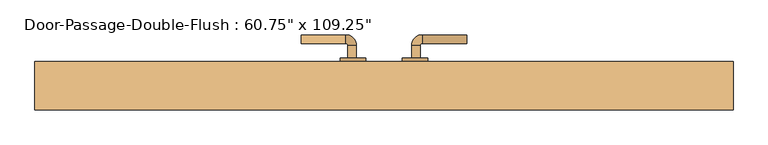
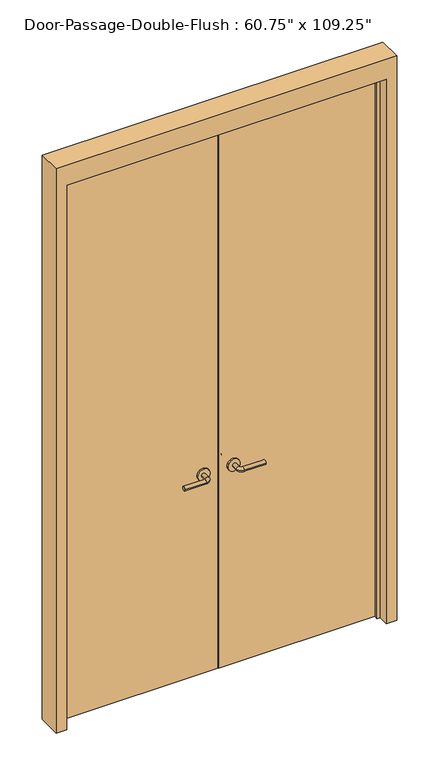
"""IFC4 building model written with IfcOpenShell, lengths in millimetres: door geometry."""

from ifc_helpers import new_model, si_unit, point, frame, frame_2d, origin, origin_with_axes, place, context, project, spatial, polyline, circle_curve, ellipse_curve, trimmed, segment, composite_curve, outline, extrude, faceted_brep, source, transform, mapped, element, save
from ifc_brep_helpers import plane_surface, cylinder_surface, revolved_surface, advanced_brep


def door_3e096846(model_context):
    return source(origin(), model_context, "Body", "SolidModel", [
        advanced_brep(
        [(-65.009375, -1.65, 1016.0), (-85.009375, -1.65, 1016.0), (-65.009375, -31.65, 1016.0), (-85.009375, -31.65, 1016.0), (-90.009375, -36.65, 1016.0), (-90.009375, -56.65, 1016.0), (-195.009375, -56.65, 1016.0), (-195.009375, -36.65, 1016.0)],
        [
            (0, 1, circle_curve(frame((-75.009375, -1.65, 1016.0), z_axis=(0.0, 1.0, 0.0), x_axis=(-1.0, 0.0, 0.0)), 10.0)),
            (1, 0, circle_curve(frame((-75.009375, -1.65, 1016.0), z_axis=(0.0, 1.0, 0.0), x_axis=(-1.0, 0.0, 0.0)), 10.0)),
            (0, 2),
            (2, 3, circle_curve(frame((-75.009375, -31.65, 1016.0), z_axis=(0.0, 1.0, 0.0), x_axis=(-1.0, 0.0, 0.0)), 10.0)),
            (3, 1),
            (3, 2, circle_curve(frame((-75.009375, -31.65, 1016.0), z_axis=(0.0, 1.0, 0.0), x_axis=(-1.0, 0.0, 0.0)), 10.0)),
            (4, 3, circle_curve(frame((-90.009375, -31.65, 1016.0), z_axis=(0.0, 0.0, 1.0), x_axis=(1.0, 0.0, 0.0)), 5.0)),
            (2, 5, circle_curve(frame((-90.009375, -31.65, 1016.0), z_axis=(0.0, 0.0, -1.0), x_axis=(1.0, 0.0, 0.0)), 25.0)),
            (5, 4, circle_curve(frame((-90.009375, -46.65, 1016.0), z_axis=(1.0, 0.0, 0.0), x_axis=(0.0, 1.0, 0.0)), 10.0)),
            (4, 5, circle_curve(frame((-90.009375, -46.65, 1016.0), z_axis=(1.0, 0.0, 0.0), x_axis=(0.0, 1.0, 0.0)), 10.0)),
            (6, 7, circle_curve(frame((-195.009375, -46.65, 1016.0), z_axis=(-1.0, 0.0, 0.0), x_axis=(0.0, 1.0, 0.0)), 10.0)),
            (7, 6, circle_curve(frame((-195.009375, -46.65, 1016.0), z_axis=(-1.0, 0.0, 0.0), x_axis=(0.0, 1.0, 0.0)), 10.0)),
            (5, 6),
            (7, 4),
        ],
        [
            plane_surface(frame((-75.009375, -1.65, 1016.0), z_axis=(0.0, 1.0, 0.0), x_axis=(0.0, 0.0, 1.0))),
            cylinder_surface(frame((-75.009375, -1.65, 1016.0), z_axis=(0.0, 1.0, 0.0), x_axis=(-1.0, 0.0, 0.0)), 10.0),
            revolved_surface(trimmed(ellipse_curve(frame((-75.009375, -31.65, 1016.0), z_axis=(0.0, 1.0, 0.0), x_axis=(-1.0, 0.0, 0.0)), 10.0, 10.0), [point((-65.009375, -31.65, 1016.0))], [point((-85.009375, -31.65, 1016.0))], True, "CARTESIAN"), (-90.009375, -31.65, 1016.0), (0.0, 0.0, -1.0)),
            revolved_surface(trimmed(ellipse_curve(frame((-75.009375, -31.65, 1016.0), z_axis=(0.0, 1.0, 0.0), x_axis=(-1.0, 0.0, 0.0)), 10.0, 10.0), [point((-85.009375, -31.65, 1016.0))], [point((-65.009375, -31.65, 1016.0))], True, "CARTESIAN"), (-90.009375, -31.65, 1016.0), (0.0, 0.0, -1.0)),
            plane_surface(frame((-195.009375, -46.65, 1016.0), z_axis=(-1.0, 0.0, 0.0), x_axis=(0.0, 0.0, 1.0))),
            cylinder_surface(frame((-90.009375, -46.65, 1016.0), z_axis=(1.0, 0.0, 0.0), x_axis=(0.0, 1.0, 0.0)), 10.0),
        ],
        [
            (0, [[1, 2]]),
            (1, [[-1, 3, 4, 5]]),
            (1, [[-2, -5, 6, -3]]),
            (2, [[7, -4, 8, 9]]),
            (3, [[-8, -6, -7, 10]]),
            (4, [[11, 12]]),
            (5, [[-9, 13, -12, 14]]),
            (5, [[-10, -14, -11, -13]]),
        ],
    ),
        extrude(outline(composite_curve([segment(trimmed(circle_curve(frame_2d((1016.0, -72.509375)), 30.0), [point((1016.0, -42.509375))], [point((1016.0, -102.509375))], False, "CARTESIAN"), True, "CONTINUOUS"), segment(trimmed(circle_curve(frame_2d((1016.0, -72.509375)), 30.0), [point((1016.0, -102.509375))], [point((1016.0, -42.509375))], False, "CARTESIAN"), True, "CONTINUOUS")], self_intersect=False)), frame((0.0, -1.65, 0.0), z_axis=(0.0, 1.0, 0.0), x_axis=(0.0, 0.0, 1.0)), (0.0, 0.0, 1.0), 8.0),
        advanced_brep(
        [(-65.009375, 58.8, 1016.0), (-85.009375, 58.8, 1016.0), (-85.009375, 88.8, 1016.0), (-65.009375, 88.8, 1016.0), (-90.009375, 93.8, 1016.0), (-90.009375, 113.8, 1016.0), (-195.009375, 113.8, 1016.0), (-195.009375, 93.8, 1016.0)],
        [
            (0, 1, circle_curve(frame((-75.009375, 58.8, 1016.0), z_axis=(0.0, -1.0, 0.0), x_axis=(-1.0, 0.0, 0.0)), 10.0)),
            (1, 0, circle_curve(frame((-75.009375, 58.8, 1016.0), z_axis=(0.0, -1.0, 0.0), x_axis=(-1.0, 0.0, 0.0)), 10.0)),
            (1, 2),
            (2, 3, circle_curve(frame((-75.009375, 88.8, 1016.0), z_axis=(0.0, -1.0, 0.0), x_axis=(-1.0, 0.0, 0.0)), 10.0)),
            (3, 0),
            (3, 2, circle_curve(frame((-75.009375, 88.8, 1016.0), z_axis=(0.0, -1.0, 0.0), x_axis=(-1.0, 0.0, 0.0)), 10.0)),
            (4, 5, circle_curve(frame((-90.009375, 103.8, 1016.0), z_axis=(1.0, 0.0, 0.0), x_axis=(0.0, -1.0, 0.0)), 10.0)),
            (5, 3, circle_curve(frame((-90.009375, 88.8, 1016.0), z_axis=(0.0, 0.0, -1.0), x_axis=(1.0, 0.0, 0.0)), 25.0)),
            (2, 4, circle_curve(frame((-90.009375, 88.8, 1016.0), z_axis=(0.0, 0.0, 1.0), x_axis=(1.0, 0.0, 0.0)), 5.0)),
            (5, 4, circle_curve(frame((-90.009375, 103.8, 1016.0), z_axis=(1.0, 0.0, 0.0), x_axis=(0.0, -1.0, 0.0)), 10.0)),
            (6, 7, circle_curve(frame((-195.009375, 103.8, 1016.0), z_axis=(-1.0, 0.0, 0.0), x_axis=(0.0, -1.0, 0.0)), 10.0)),
            (7, 6, circle_curve(frame((-195.009375, 103.8, 1016.0), z_axis=(-1.0, 0.0, 0.0), x_axis=(0.0, -1.0, 0.0)), 10.0)),
            (4, 7),
            (6, 5),
        ],
        [
            plane_surface(frame((-75.009375, 58.8, 1016.0), z_axis=(0.0, -1.0, 0.0), x_axis=(0.0, 0.0, 1.0))),
            cylinder_surface(frame((-75.009375, 58.8, 1016.0), z_axis=(0.0, -1.0, 0.0), x_axis=(-1.0, 0.0, 0.0)), 10.0),
            revolved_surface(trimmed(ellipse_curve(frame((-75.009375, 88.8, 1016.0), z_axis=(0.0, 1.0, 0.0), x_axis=(-1.0, 0.0, 0.0)), 10.0, 10.0), [point((-65.009375, 88.8, 1016.0))], [point((-85.009375, 88.8, 1016.0))], True, "CARTESIAN"), (-90.009375, 88.8, 1016.0), (0.0, 0.0, -1.0)),
            revolved_surface(trimmed(ellipse_curve(frame((-75.009375, 88.8, 1016.0), z_axis=(0.0, 1.0, 0.0), x_axis=(-1.0, 0.0, 0.0)), 10.0, 10.0), [point((-85.009375, 88.8, 1016.0))], [point((-65.009375, 88.8, 1016.0))], True, "CARTESIAN"), (-90.009375, 88.8, 1016.0), (0.0, 0.0, -1.0)),
            plane_surface(frame((-195.009375, 103.8, 1016.0), z_axis=(-1.0, 0.0, 0.0), x_axis=(0.0, 0.0, 1.0))),
            cylinder_surface(frame((-90.009375, 103.8, 1016.0), z_axis=(1.0, 0.0, 0.0), x_axis=(0.0, -1.0, 0.0)), 10.0),
        ],
        [
            (0, [[1, 2]]),
            (1, [[3, 4, 5, -2]]),
            (1, [[-5, 6, -3, -1]]),
            (2, [[7, 8, -4, 9]]),
            (3, [[10, -9, -6, -8]]),
            (4, [[11, 12]]),
            (5, [[13, -11, 14, -7]]),
            (5, [[-14, -12, -13, -10]]),
        ],
    ),
        extrude(outline(composite_curve([segment(trimmed(circle_curve(frame_2d((1016.0, -72.509375)), 30.0), [point((1016.0, -42.509375))], [point((1016.0, -102.509375))], False, "CARTESIAN"), True, "CONTINUOUS"), segment(trimmed(circle_curve(frame_2d((1016.0, -72.509375)), 30.0), [point((1016.0, -102.509375))], [point((1016.0, -42.509375))], False, "CARTESIAN"), True, "CONTINUOUS")], self_intersect=False)), frame((0.0, 50.8, 0.0), z_axis=(0.0, 1.0, 0.0), x_axis=(0.0, 0.0, 1.0)), (0.0, 0.0, 1.0), 8.0),
        advanced_brep(
        [(65.009375, -1.65, 1016.0), (85.009375, -1.65, 1016.0), (85.009375, -31.65, 1016.0), (65.009375, -31.65, 1016.0), (90.009375, -36.65, 1016.0), (90.009375, -56.65, 1016.0), (195.009375, -56.65, 1016.0), (195.009375, -36.65, 1016.0)],
        [
            (0, 1, circle_curve(frame((75.009375, -1.65, 1016.0), z_axis=(0.0, 1.0, 0.0), x_axis=(1.0, 0.0, 0.0)), 10.0)),
            (1, 0, circle_curve(frame((75.009375, -1.65, 1016.0), z_axis=(0.0, 1.0, 0.0), x_axis=(1.0, 0.0, 0.0)), 10.0)),
            (1, 2),
            (2, 3, circle_curve(frame((75.009375, -31.65, 1016.0), z_axis=(0.0, 1.0, 0.0), x_axis=(1.0, 0.0, 0.0)), 10.0)),
            (3, 0),
            (3, 2, circle_curve(frame((75.009375, -31.65, 1016.0), z_axis=(0.0, 1.0, 0.0), x_axis=(1.0, 0.0, 0.0)), 10.0)),
            (4, 5, circle_curve(frame((90.009375, -46.65, 1016.0), z_axis=(-1.0, 0.0, 0.0), x_axis=(0.0, 1.0, 0.0)), 10.0)),
            (5, 3, circle_curve(frame((90.009375, -31.65, 1016.0), z_axis=(0.0, 0.0, -1.0), x_axis=(-1.0, 0.0, 0.0)), 25.0)),
            (2, 4, circle_curve(frame((90.009375, -31.65, 1016.0), z_axis=(0.0, 0.0, 1.0), x_axis=(-1.0, 0.0, 0.0)), 5.0)),
            (5, 4, circle_curve(frame((90.009375, -46.65, 1016.0), z_axis=(-1.0, 0.0, 0.0), x_axis=(0.0, 1.0, 0.0)), 10.0)),
            (6, 7, circle_curve(frame((195.009375, -46.65, 1016.0), z_axis=(1.0, 0.0, 0.0), x_axis=(0.0, 1.0, 0.0)), 10.0)),
            (7, 6, circle_curve(frame((195.009375, -46.65, 1016.0), z_axis=(1.0, 0.0, 0.0), x_axis=(0.0, 1.0, 0.0)), 10.0)),
            (4, 7),
            (6, 5),
        ],
        [
            plane_surface(frame((75.009375, -1.65, 1016.0), z_axis=(0.0, 1.0, 0.0), x_axis=(0.0, 0.0, 1.0))),
            cylinder_surface(frame((75.009375, -1.65, 1016.0), z_axis=(0.0, 1.0, 0.0), x_axis=(1.0, 0.0, 0.0)), 10.0),
            revolved_surface(trimmed(ellipse_curve(frame((75.009375, -31.65, 1016.0), z_axis=(0.0, -1.0, 0.0), x_axis=(1.0, 0.0, 0.0)), 10.0, 10.0), [point((65.009375, -31.65, 1016.0))], [point((85.009375, -31.65, 1016.0))], True, "CARTESIAN"), (90.009375, -31.65, 1016.0), (0.0, 0.0, -1.0)),
            revolved_surface(trimmed(ellipse_curve(frame((75.009375, -31.65, 1016.0), z_axis=(0.0, -1.0, 0.0), x_axis=(1.0, 0.0, 0.0)), 10.0, 10.0), [point((85.009375, -31.65, 1016.0))], [point((65.009375, -31.65, 1016.0))], True, "CARTESIAN"), (90.009375, -31.65, 1016.0), (0.0, 0.0, -1.0)),
            plane_surface(frame((195.009375, -46.65, 1016.0), z_axis=(1.0, 0.0, 0.0), x_axis=(0.0, 0.0, 1.0))),
            cylinder_surface(frame((90.009375, -46.65, 1016.0), z_axis=(-1.0, 0.0, 0.0), x_axis=(0.0, 1.0, 0.0)), 10.0),
        ],
        [
            (0, [[1, 2]]),
            (1, [[3, 4, 5, -2]]),
            (1, [[-5, 6, -3, -1]]),
            (2, [[7, 8, -4, 9]]),
            (3, [[10, -9, -6, -8]]),
            (4, [[11, 12]]),
            (5, [[13, -11, 14, -7]]),
            (5, [[-14, -12, -13, -10]]),
        ],
    ),
        extrude(outline(composite_curve([segment(trimmed(circle_curve(frame_2d((1016.0, 72.509375)), 30.0), [point((1016.0, 42.509375))], [point((1016.0, 102.509375))], False, "CARTESIAN"), True, "CONTINUOUS"), segment(trimmed(circle_curve(frame_2d((1016.0, 72.509375)), 30.0), [point((1016.0, 102.509375))], [point((1016.0, 42.509375))], False, "CARTESIAN"), True, "CONTINUOUS")], self_intersect=False)), frame((0.0, -1.65, 0.0), z_axis=(0.0, 1.0, 0.0), x_axis=(0.0, 0.0, 1.0)), (0.0, 0.0, 1.0), 8.0),
        advanced_brep(
        [(65.009375, 58.8, 1016.0), (85.009375, 58.8, 1016.0), (65.009375, 88.8, 1016.0), (85.009375, 88.8, 1016.0), (90.009375, 93.8, 1016.0), (90.009375, 113.8, 1016.0), (195.009375, 113.8, 1016.0), (195.009375, 93.8, 1016.0)],
        [
            (0, 1, circle_curve(frame((75.009375, 58.8, 1016.0), z_axis=(0.0, -1.0, 0.0), x_axis=(1.0, 0.0, 0.0)), 10.0)),
            (1, 0, circle_curve(frame((75.009375, 58.8, 1016.0), z_axis=(0.0, -1.0, 0.0), x_axis=(1.0, 0.0, 0.0)), 10.0)),
            (0, 2),
            (2, 3, circle_curve(frame((75.009375, 88.8, 1016.0), z_axis=(0.0, -1.0, 0.0), x_axis=(1.0, 0.0, 0.0)), 10.0)),
            (3, 1),
            (3, 2, circle_curve(frame((75.009375, 88.8, 1016.0), z_axis=(0.0, -1.0, 0.0), x_axis=(1.0, 0.0, 0.0)), 10.0)),
            (4, 3, circle_curve(frame((90.009375, 88.8, 1016.0), z_axis=(0.0, 0.0, 1.0), x_axis=(-1.0, 0.0, 0.0)), 5.0)),
            (2, 5, circle_curve(frame((90.009375, 88.8, 1016.0), z_axis=(0.0, 0.0, -1.0), x_axis=(-1.0, 0.0, 0.0)), 25.0)),
            (5, 4, circle_curve(frame((90.009375, 103.8, 1016.0), z_axis=(-1.0, 0.0, 0.0), x_axis=(0.0, -1.0, 0.0)), 10.0)),
            (4, 5, circle_curve(frame((90.009375, 103.8, 1016.0), z_axis=(-1.0, 0.0, 0.0), x_axis=(0.0, -1.0, 0.0)), 10.0)),
            (6, 7, circle_curve(frame((195.009375, 103.8, 1016.0), z_axis=(1.0, 0.0, 0.0), x_axis=(0.0, -1.0, 0.0)), 10.0)),
            (7, 6, circle_curve(frame((195.009375, 103.8, 1016.0), z_axis=(1.0, 0.0, 0.0), x_axis=(0.0, -1.0, 0.0)), 10.0)),
            (5, 6),
            (7, 4),
        ],
        [
            plane_surface(frame((75.009375, 58.8, 1016.0), z_axis=(0.0, -1.0, 0.0), x_axis=(0.0, 0.0, 1.0))),
            cylinder_surface(frame((75.009375, 58.8, 1016.0), z_axis=(0.0, -1.0, 0.0), x_axis=(1.0, 0.0, 0.0)), 10.0),
            revolved_surface(trimmed(ellipse_curve(frame((75.009375, 88.8, 1016.0), z_axis=(0.0, -1.0, 0.0), x_axis=(1.0, 0.0, 0.0)), 10.0, 10.0), [point((65.009375, 88.8, 1016.0))], [point((85.009375, 88.8, 1016.0))], True, "CARTESIAN"), (90.009375, 88.8, 1016.0), (0.0, 0.0, -1.0)),
            revolved_surface(trimmed(ellipse_curve(frame((75.009375, 88.8, 1016.0), z_axis=(0.0, -1.0, 0.0), x_axis=(1.0, 0.0, 0.0)), 10.0, 10.0), [point((85.009375, 88.8, 1016.0))], [point((65.009375, 88.8, 1016.0))], True, "CARTESIAN"), (90.009375, 88.8, 1016.0), (0.0, 0.0, -1.0)),
            plane_surface(frame((195.009375, 103.8, 1016.0), z_axis=(1.0, 0.0, 0.0), x_axis=(0.0, 0.0, 1.0))),
            cylinder_surface(frame((90.009375, 103.8, 1016.0), z_axis=(-1.0, 0.0, 0.0), x_axis=(0.0, -1.0, 0.0)), 10.0),
        ],
        [
            (0, [[1, 2]]),
            (1, [[-1, 3, 4, 5]]),
            (1, [[-2, -5, 6, -3]]),
            (2, [[7, -4, 8, 9]]),
            (3, [[-8, -6, -7, 10]]),
            (4, [[11, 12]]),
            (5, [[-9, 13, -12, 14]]),
            (5, [[-10, -14, -11, -13]]),
        ],
    ),
        extrude(outline(composite_curve([segment(trimmed(circle_curve(frame_2d((1016.0, 72.509375)), 30.0), [point((1016.0, 42.509375))], [point((1016.0, 102.509375))], False, "CARTESIAN"), True, "CONTINUOUS"), segment(trimmed(circle_curve(frame_2d((1016.0, 72.509375)), 30.0), [point((1016.0, 102.509375))], [point((1016.0, 42.509375))], False, "CARTESIAN"), True, "CONTINUOUS")], self_intersect=False)), frame((0.0, 50.8, 0.0), z_axis=(0.0, 1.0, 0.0), x_axis=(0.0, 0.0, 1.0)), (0.0, 0.0, 1.0), 8.0),
        faceted_brep([(771.525, 1.5875, 0.0), (771.525, 50.8, 0.0), (822.325, 50.8, 0.0), (822.325, -63.5, 0.0), (771.525, -63.5, 0.0), (771.525, -14.2875, 0.0), (755.65, -14.2875, 0.0), (755.65, 1.5875, 0.0), (771.525, 1.5875, 2774.95), (771.525, 50.8, 2774.95), (-771.525, 50.8, 2774.95), (-771.525, 50.8, 0.0), (-822.325, 50.8, 0.0), (-822.325, 50.8, 2876.55), (822.325, 50.8, 2876.55), (822.325, -63.5, 2876.55), (-822.325, -63.5, 2876.55), (-822.325, -63.5, 0.0), (-771.525, -63.5, 0.0), (-771.525, -63.5, 2774.95), (771.525, -63.5, 2774.95), (771.525, -14.2875, 2774.95), (-771.525, -14.2875, 2774.95), (-771.525, -14.2875, 0.0), (-755.65, -14.2875, 0.0), (-755.65, -14.2875, 2759.075), (755.65, -14.2875, 2759.075), (755.65, 1.5875, 2759.075), (-755.65, 1.5875, 2759.075), (-755.65, 1.5875, 0.0), (-771.525, 1.5875, 0.0), (-771.525, 1.5875, 2774.95)], [[[0, 1, 2, 3, 4, 5, 6, 7]], [[1, 0, 8, 9]], [[2, 1, 9, 10, 11, 12, 13, 14]], [[3, 2, 14, 15]], [[4, 3, 15, 16, 17, 18, 19, 20]], [[5, 4, 20, 21]], [[6, 5, 21, 22, 23, 24, 25, 26]], [[7, 6, 26, 27]], [[0, 7, 27, 28, 29, 30, 31, 8]], [[9, 8, 31, 10]], [[20, 19, 22, 21]], [[26, 25, 28, 27]], [[12, 11, 30, 29, 24, 23, 18, 17]], [[11, 10, 31, 30]], [[13, 12, 17, 16]], [[19, 18, 23, 22]], [[25, 24, 29, 28]], [[15, 14, 13, 16]]]),
        extrude(outline(polyline([(771.525, 6.35), (1.5875, 6.35), (1.5875, 50.8), (771.525, 50.8), (771.525, 6.35)])), origin_with_axes(), (0.0, 0.0, 1.0), 2774.95),
        extrude(outline(polyline([(-1.5875, 6.35), (-771.525, 6.35), (-771.525, 50.8), (-1.5875, 50.8), (-1.5875, 6.35)])), origin_with_axes(), (0.0, 0.0, 1.0), 2774.95),
    ])


if __name__ == "__main__":
    model = new_model("IFC4")
    model_context = context("Model", 3, world=origin())
    ifc_project = project(units=[si_unit("LENGTHUNIT", "METRE", prefix="MILLI")], contexts=[model_context])
    site = spatial("IfcSite", under=ifc_project)
    building = spatial("IfcBuilding", under=site)
    placement = place(None, origin())
    door_shape = door_3e096846(model_context)
    element("IfcDoor", 1, ObjectType="Door-Passage-Double-Flush : 60.75\" x 109.25\"", at=placement, inside=building, context=model_context, shape_type="MappedRepresentation", body=[
        mapped(door_shape, transform((0.0, 0.0, 0.0), x_axis=(1.0, 0.0, 0.0), y_axis=(0.0, 1.0, 0.0), z_axis=(0.0, 0.0, 1.0))),
    ])
    save(model, "model.ifc")
